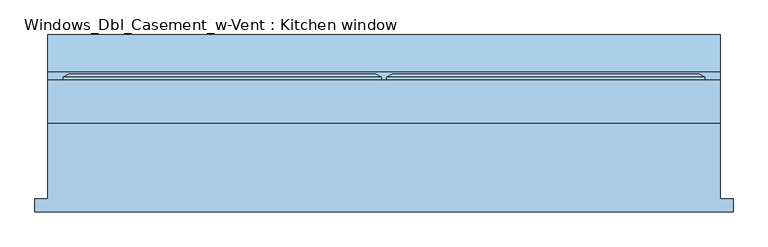
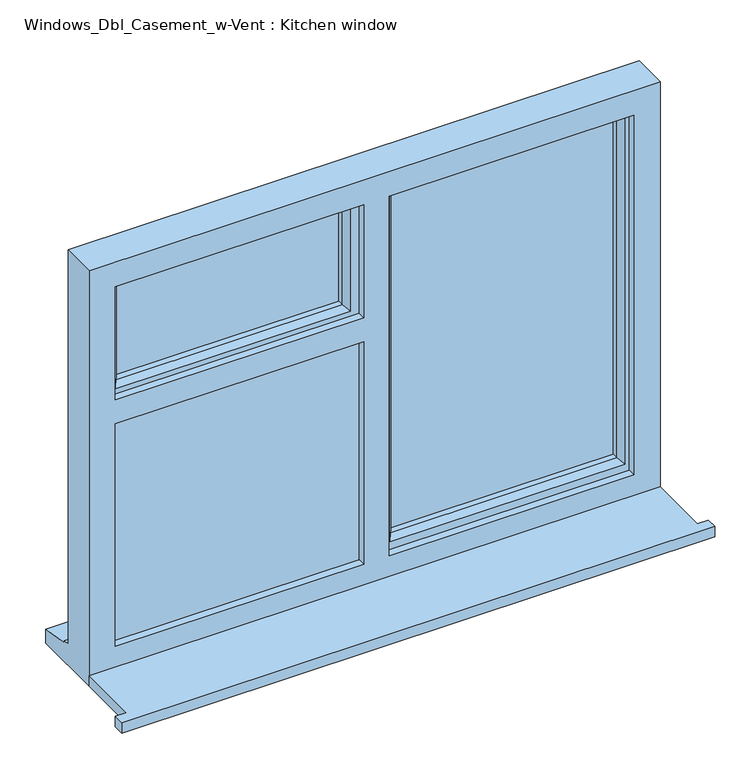
"""IFC4 building model written with IfcOpenShell, lengths in millimetres: window geometry, Windows_Dbl_Casement_w-Vent : Kitchen window."""

from ifc_helpers import new_model, si_unit, frame, origin, place, context, project, spatial, polyline, outline, extrude, faceted_brep, source, transform, mapped, element, save


def windows_dbl_casement_w_vent_kitchen_window_6e1793bb(model_context):
    return source(origin(), model_context, "Body", "SolidModel", [
        extrude(outline(polyline([(-960.0, -156.5434322), (-960.0, -131.5434322), (-935.0, -131.5434322), (-935.0, 15.4565678), (365.0, 15.4565678), (365.0, -131.5434322), (390.0, -131.5434322), (390.0, -156.5434322), (-960.0, -156.5434322)])), frame((0.0, 0.0, 1110.0), z_axis=(0.0, 0.0, 1.0), x_axis=(1.0, 0.0, 0.0)), (0.0, 0.0, 1.0), 25.0),
        faceted_brep([(-905.0, 98.4565678, 2080.0), (-905.0, 104.2300705, 2080.0), (-905.0, 104.2300705, 1750.0), (-905.0, 98.4565678, 1750.0), (-895.0, 33.4565678, 2070.0), (-895.0, 98.4565678, 2070.0), (-895.0, 98.4565678, 1760.0), (-895.0, 33.4565678, 1760.0), (-855.0, 47.9494677, 2030.0), (-865.1480377, 33.4565678, 2040.1480377), (-865.1480377, 33.4565678, 1789.8519623), (-855.0, 47.9494677, 1800.0), (-855.0, 62.4565678, 2030.0), (-855.0, 62.4565678, 1800.0), (-865.0, 86.4565678, 2040.0), (-865.0, 62.4565678, 2040.0), (-865.0, 62.4565678, 1790.0), (-865.0, 86.4565678, 1790.0), (-855.0, 104.2300705, 2030.0), (-855.0, 86.4565678, 2030.0), (-855.0, 86.4565678, 1800.0), (-855.0, 104.2300705, 1800.0), (-872.4457548, 110.0035732, 2047.4457548), (-872.4457548, 110.0035732, 1782.5542452), (-894.2153903, 110.0035732, 2069.2153903), (-894.2153903, 110.0035732, 1760.7846097), (-290.0, 104.2300705, 1750.0), (-290.0, 98.4565678, 1750.0), (-300.0, 98.4565678, 1760.0), (-300.0, 33.4565678, 1760.0), (-329.8519623, 33.4565678, 1789.8519623), (-340.0, 47.9494677, 1800.0), (-340.0, 62.4565678, 1800.0), (-330.0, 62.4565678, 1790.0), (-330.0, 86.4565678, 1790.0), (-340.0, 86.4565678, 1800.0), (-340.0, 104.2300705, 1800.0), (-322.5542452, 110.0035732, 1782.5542452), (-300.7846097, 110.0035732, 1760.7846097), (-290.0, 104.2300705, 2080.0), (-290.0, 98.4565678, 2080.0), (-300.0, 98.4565678, 2070.0), (-300.0, 33.4565678, 2070.0), (-329.8519623, 33.4565678, 2040.1480377), (-340.0, 47.9494677, 2030.0), (-340.0, 62.4565678, 2030.0), (-330.0, 62.4565678, 2040.0), (-330.0, 86.4565678, 2040.0), (-340.0, 86.4565678, 2030.0), (-340.0, 104.2300705, 2030.0), (-322.5542452, 110.0035732, 2047.4457548), (-300.7846097, 110.0035732, 2069.2153903)], [[[0, 1, 2, 3]], [[4, 5, 6, 7]], [[8, 9, 10, 11]], [[12, 8, 11, 13]], [[14, 15, 16, 17]], [[18, 19, 20, 21]], [[22, 18, 21, 23]], [[1, 24, 25, 2]], [[3, 2, 26, 27]], [[7, 6, 28, 29]], [[11, 10, 30, 31]], [[13, 11, 31, 32]], [[17, 16, 33, 34]], [[21, 20, 35, 36]], [[23, 21, 36, 37]], [[2, 25, 38, 26]], [[27, 26, 39, 40]], [[29, 28, 41, 42]], [[31, 30, 43, 44]], [[32, 31, 44, 45]], [[34, 33, 46, 47]], [[36, 35, 48, 49]], [[37, 36, 49, 50]], [[26, 38, 51, 39]], [[40, 39, 1, 0]], [[3, 27, 40, 0], [5, 41, 28, 6]], [[42, 41, 5, 4]], [[7, 29, 42, 4], [9, 43, 30, 10]], [[44, 43, 9, 8]], [[45, 44, 8, 12]], [[15, 46, 33, 16], [13, 32, 45, 12]], [[47, 46, 15, 14]], [[17, 34, 47, 14], [19, 48, 35, 20]], [[49, 48, 19, 18]], [[50, 49, 18, 22]], [[24, 51, 38, 25], [23, 37, 50, 22]], [[39, 51, 24, 1]]]),
        extrude(outline(polyline([(295.0, 62.4565678), (-240.0, 62.4565678), (-240.0, 86.4565678), (295.0, 86.4565678), (295.0, 62.4565678)])), frame((0.0, 0.0, 1203.0), z_axis=(0.0, 0.0, 1.0), x_axis=(1.0, 0.0, 0.0)), (0.0, 0.0, 1.0), 837.0),
        extrude(outline(polyline([(-330.0, 62.4565678), (-865.0, 62.4565678), (-865.0, 86.4565678), (-330.0, 86.4565678), (-330.0, 62.4565678)])), frame((0.0, 0.0, 1790.0), z_axis=(0.0, 0.0, 1.0), x_axis=(1.0, 0.0, 0.0)), (0.0, 0.0, 1.0), 250.0),
        extrude(outline(polyline([(-895.0, 57.4565678), (-300.0, 57.4565678), (-300.0, 33.4565678), (-895.0, 33.4565678), (-895.0, 57.4565678)])), frame((0.0, 0.0, 1173.0), z_axis=(0.0, 0.0, 1.0), x_axis=(1.0, 0.0, 0.0)), (0.0, 0.0, 1.0), 557.0),
        faceted_brep([(365.0, 15.4565678, 2110.0), (-935.0, 15.4565678, 2110.0), (-935.0, 15.4565678, 1110.0), (365.0, 15.4565678, 1110.0), (-875.0, 15.4565678, 1185.0), (-875.0, 15.4565678, 1720.0), (-310.0, 15.4565678, 1720.0), (-310.0, 15.4565678, 1185.0), (-875.0, 15.4565678, 2050.0), (-310.0, 15.4565678, 2050.0), (-310.0, 15.4565678, 1778.0), (-875.0, 15.4565678, 1778.0), (-252.0, 15.4565678, 2050.0), (305.0, 15.4565678, 2050.0), (305.0, 15.4565678, 1185.0), (-252.0, 15.4565678, 1185.0), (-935.0, 98.4565678, 2110.0), (-935.0, 98.4565678, 1161.0), (-935.0, 113.4565678, 1159.68767), (-935.0, 113.4565678, 1154.7449676), (-935.0, 185.9565678, 1143.8088847), (-935.0, 185.9565678, 1110.0), (365.0, 98.4565678, 2110.0), (365.0, 98.4565678, 1161.0), (-310.0, 98.4565678, 1173.0), (-310.0, 98.4565678, 1720.0), (-895.0, 98.4565678, 1720.0), (-895.0, 98.4565678, 1173.0), (-310.0, 98.4565678, 2070.0), (-895.0, 98.4565678, 2070.0), (-895.0, 98.4565678, 1760.0), (-310.0, 98.4565678, 1760.0), (325.0, 98.4565678, 1173.0), (325.0, 98.4565678, 2070.0), (-270.0, 98.4565678, 2070.0), (-270.0, 98.4565678, 1173.0), (-895.0, 33.4565678, 2070.0), (-895.0, 33.4565678, 1760.0), (-895.0, 33.4565678, 1730.0), (-895.0, 33.4565678, 1173.0), (-895.0, 57.4565678, 1720.0), (-895.0, 57.4565678, 1730.0), (-300.0, 33.4565678, 2070.0), (-300.0, 33.4565678, 1760.0), (-310.0, 33.4565678, 2050.0), (-875.0, 33.4565678, 2050.0), (-875.0, 33.4565678, 1778.0), (-310.0, 33.4565678, 1778.0), (-270.0, 33.4565678, 2070.0), (325.0, 33.4565678, 2070.0), (325.0, 33.4565678, 1173.0), (-270.0, 33.4565678, 1173.0), (305.0, 33.4565678, 2050.0), (-252.0, 33.4565678, 2050.0), (-252.0, 33.4565678, 1185.0), (305.0, 33.4565678, 1185.0), (-300.0, 33.4565678, 1173.0), (-300.0, 33.4565678, 1730.0), (-875.0, 33.4565678, 1185.0), (-310.0, 33.4565678, 1185.0), (-310.0, 33.4565678, 1720.0), (-875.0, 33.4565678, 1720.0), (-310.0, 57.4565678, 2070.0), (-300.0, 57.4565678, 2070.0), (365.0, 185.9565678, 1110.0), (365.0, 185.9565678, 1143.8088847), (365.0, 113.4565678, 1154.7449676), (365.0, 113.4565678, 1159.68767), (-300.0, 57.4565678, 1760.0), (-300.0, 57.4565678, 1730.0), (-300.0, 57.4565678, 1173.0), (-310.0, 57.4565678, 1760.0), (-310.0, 57.4565678, 1173.0), (-310.0, 57.4565678, 1720.0)], [[[0, 1, 2, 3], [4, 5, 6, 7], [8, 9, 10, 11], [12, 13, 14, 15]], [[1, 16, 17, 18, 19, 20, 21, 2]], [[16, 22, 23, 17], [24, 25, 26, 27], [28, 29, 30, 31], [32, 33, 34, 35]], [[29, 36, 37, 30]], [[38, 39, 27, 26, 40, 41]], [[36, 42, 43, 37], [44, 45, 46, 47]], [[48, 49, 50, 51], [52, 53, 54, 55]], [[56, 39, 38, 57], [58, 59, 60, 61]], [[45, 8, 11, 46]], [[4, 58, 61, 5]], [[1, 0, 22, 16]], [[36, 29, 28, 62, 63, 42]], [[33, 49, 48, 34]], [[8, 45, 44, 9]], [[52, 13, 12, 53]], [[22, 0, 3, 64, 65, 66, 67, 23]], [[33, 32, 50, 49]], [[13, 52, 55, 14]], [[43, 42, 63, 68]], [[69, 70, 56, 57]], [[63, 62, 71, 68]], [[72, 70, 69, 41, 40, 73]], [[62, 28, 31, 71]], [[24, 72, 73, 25]], [[35, 34, 48, 51]], [[53, 12, 15, 54]], [[9, 44, 47, 10]], [[59, 7, 6, 60]], [[64, 3, 2, 21]], [[65, 64, 21, 20]], [[66, 65, 20, 19]], [[67, 66, 19, 18]], [[23, 67, 18, 17]], [[24, 27, 39, 56, 70, 72]], [[32, 35, 51, 50]], [[15, 14, 55, 54]], [[59, 58, 4, 7]], [[57, 38, 41, 69]], [[26, 25, 73, 40]], [[31, 30, 37, 43, 68, 71]], [[47, 46, 11, 10]], [[61, 60, 6, 5]]]),
        extrude(outline(polyline([(1720.0, -875.0), (1720.0, -895.0), (1173.0, -895.0), (1173.0, -310.0), (1193.0, -310.0), (1193.0, -875.0), (1720.0, -875.0)])), frame((0.0, 57.4565678, 0.0), z_axis=(0.0, 1.0, 0.0), x_axis=(0.0, 0.0, 1.0)), (0.0, 0.0, 1.0), 41.0),
        faceted_brep([(-280.0, 98.4565678, 2080.0), (-280.0, 104.2300705, 2080.0), (-280.0, 104.2300705, 1163.0), (-280.0, 98.4565678, 1163.0), (-270.0, 33.4565678, 2070.0), (-270.0, 98.4565678, 2070.0), (-270.0, 98.4565678, 1173.0), (-270.0, 33.4565678, 1173.0), (-230.0, 47.9494677, 2030.0), (-240.1480377, 33.4565678, 2040.1480377), (-240.1480377, 33.4565678, 1202.8519623), (-230.0, 47.9494677, 1213.0), (-230.0, 62.4565678, 2030.0), (-230.0, 62.4565678, 1213.0), (-240.0, 86.4565678, 2040.0), (-240.0, 62.4565678, 2040.0), (-240.0, 62.4565678, 1203.0), (-240.0, 86.4565678, 1203.0), (-230.0, 104.2300705, 2030.0), (-230.0, 86.4565678, 2030.0), (-230.0, 86.4565678, 1213.0), (-230.0, 104.2300705, 1213.0), (-247.4457548, 110.0035732, 2047.4457548), (-247.4457548, 110.0035732, 1195.5542452), (-269.2153903, 110.0035732, 2069.2153903), (-269.2153903, 110.0035732, 1173.7846097), (335.0, 104.2300705, 1163.0), (335.0, 98.4565678, 1163.0), (325.0, 98.4565678, 1173.0), (325.0, 33.4565678, 1173.0), (295.1480377, 33.4565678, 1202.8519623), (285.0, 47.9494677, 1213.0), (285.0, 62.4565678, 1213.0), (295.0, 62.4565678, 1203.0), (295.0, 86.4565678, 1203.0), (285.0, 86.4565678, 1213.0), (285.0, 104.2300705, 1213.0), (302.4457548, 110.0035732, 1195.5542452), (324.2153903, 110.0035732, 1173.7846097), (335.0, 104.2300705, 2080.0), (335.0, 98.4565678, 2080.0), (325.0, 98.4565678, 2070.0), (325.0, 33.4565678, 2070.0), (295.1480377, 33.4565678, 2040.1480377), (285.0, 47.9494677, 2030.0), (285.0, 62.4565678, 2030.0), (295.0, 62.4565678, 2040.0), (295.0, 86.4565678, 2040.0), (285.0, 86.4565678, 2030.0), (285.0, 104.2300705, 2030.0), (302.4457548, 110.0035732, 2047.4457548), (324.2153903, 110.0035732, 2069.2153903)], [[[0, 1, 2, 3]], [[4, 5, 6, 7]], [[8, 9, 10, 11]], [[12, 8, 11, 13]], [[14, 15, 16, 17]], [[18, 19, 20, 21]], [[22, 18, 21, 23]], [[1, 24, 25, 2]], [[3, 2, 26, 27]], [[7, 6, 28, 29]], [[11, 10, 30, 31]], [[13, 11, 31, 32]], [[17, 16, 33, 34]], [[21, 20, 35, 36]], [[23, 21, 36, 37]], [[2, 25, 38, 26]], [[27, 26, 39, 40]], [[29, 28, 41, 42]], [[31, 30, 43, 44]], [[32, 31, 44, 45]], [[34, 33, 46, 47]], [[36, 35, 48, 49]], [[37, 36, 49, 50]], [[26, 38, 51, 39]], [[40, 39, 1, 0]], [[3, 27, 40, 0], [5, 41, 28, 6]], [[42, 41, 5, 4]], [[7, 29, 42, 4], [9, 43, 30, 10]], [[44, 43, 9, 8]], [[45, 44, 8, 12]], [[15, 46, 33, 16], [13, 32, 45, 12]], [[47, 46, 15, 14]], [[17, 34, 47, 14], [19, 48, 35, 20]], [[49, 48, 19, 18]], [[50, 49, 18, 22]], [[24, 51, 38, 25], [23, 37, 50, 22]], [[39, 51, 24, 1]]]),
    ])


if __name__ == "__main__":
    model = new_model("IFC4")
    model_context = context("Model", 3, world=origin())
    ifc_project = project(units=[si_unit("LENGTHUNIT", "METRE", prefix="MILLI")], contexts=[model_context])
    site = spatial("IfcSite", under=ifc_project)
    building = spatial("IfcBuilding", under=site)
    placement = place(None, origin())
    windows_dbl_casement_w_vent_kitchen_window_shape = windows_dbl_casement_w_vent_kitchen_window_6e1793bb(model_context)
    element("IfcWindow", 1, ObjectType="Windows_Dbl_Casement_w-Vent : Kitchen window", at=placement, inside=building, context=model_context, shape_type="MappedRepresentation", body=[
        mapped(windows_dbl_casement_w_vent_kitchen_window_shape, transform((0.0, 0.0, 0.0), x_axis=(1.0, 0.0, 0.0), y_axis=(0.0, 1.0, 0.0), z_axis=(0.0, 0.0, 1.0))),
    ])
    save(model, "model.ifc")
